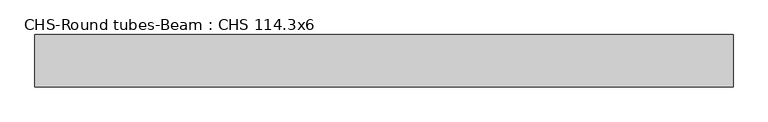
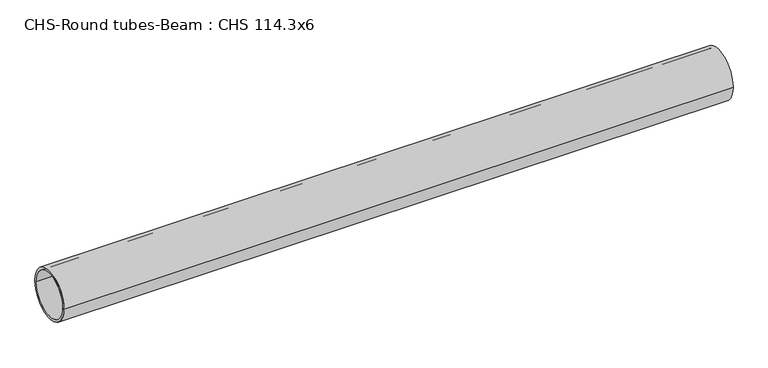
"""IFC4 building model written with IfcOpenShell, lengths in millimetres: beam geometry, CHS-Round tubes-Beam : CHS 114.3x6."""

from ifc_helpers import new_model, si_unit, point, frame, origin, origin_2d, place, context, project, spatial, circle_curve, trimmed, segment, composite_curve, outline, extrude, source, transform, mapped, element, save


def chs_round_tubes_beam_chs_114_3x6_fed8658d(model_context):
    return source(origin(), model_context, "Body", "SweptSolid", [
        extrude(outline(composite_curve([segment(trimmed(circle_curve(origin_2d(), 57.15), [point((57.15, 0.0))], [point((-57.15, 0.0))], False, "CARTESIAN"), True, "CONTINUOUS"), segment(trimmed(circle_curve(origin_2d(), 57.15), [point((-57.15, 0.0))], [point((57.15, 0.0))], False, "CARTESIAN"), True, "CONTINUOUS")], self_intersect=False), holes=[composite_curve([segment(trimmed(circle_curve(origin_2d(), 51.15), [point((51.15, 0.0))], [point((-51.15, 0.0))], True, "CARTESIAN"), True, "CONTINUOUS"), segment(trimmed(circle_curve(origin_2d(), 51.15), [point((-51.15, 0.0))], [point((51.15, 0.0))], True, "CARTESIAN"), True, "CONTINUOUS")], self_intersect=False)]), frame((-744.4552095, 0.0, 0.0), z_axis=(1.0, 0.0, 0.0), x_axis=(0.0, 1.0, 0.0)), (0.0, 0.0, 1.0), 1522.6283326),
    ])


if __name__ == "__main__":
    model = new_model("IFC4")
    model_context = context("Model", 3, world=origin())
    ifc_project = project(units=[si_unit("LENGTHUNIT", "METRE", prefix="MILLI")], contexts=[model_context])
    site = spatial("IfcSite", under=ifc_project)
    building = spatial("IfcBuilding", under=site)
    placement = place(None, origin())
    chs_round_tubes_beam_chs_114_3x6_shape = chs_round_tubes_beam_chs_114_3x6_fed8658d(model_context)
    element("IfcBeam", 1, ObjectType="CHS-Round tubes-Beam : CHS 114.3x6", at=placement, inside=building, context=model_context, shape_type="MappedRepresentation", body=[
        mapped(chs_round_tubes_beam_chs_114_3x6_shape, transform((0.0, 0.0, 0.0), x_axis=(1.0, 0.0, 0.0), y_axis=(0.0, 1.0, 0.0), z_axis=(0.0, 0.0, 1.0))),
    ])
    save(model, "model.ifc")
